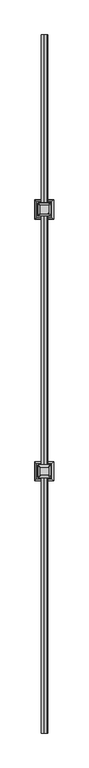
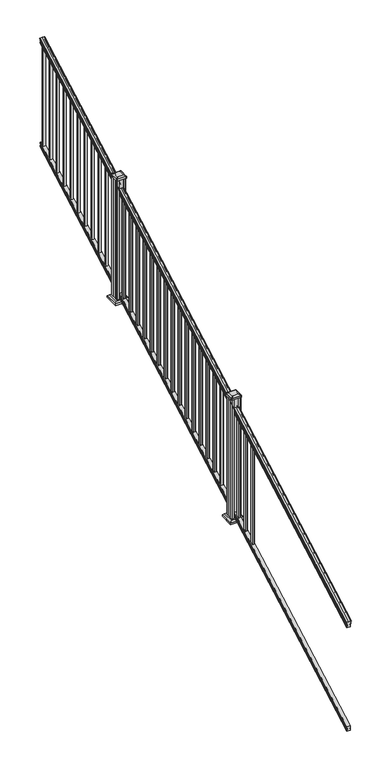
"""IFC4 building model written with IfcOpenShell, lengths in millimetres: railing geometry."""

from ifc_helpers import new_model, si_unit, point, frame, frame_2d, origin, place, context, project, spatial, polyline, circle_curve, ellipse_curve, trimmed, segment, composite_curve, outline, extrude, faceted_brep, source, transform, mapped, element, save
from ifc_brep_helpers import plane_surface, cylinder_surface, revolved_surface, extruded_surface, advanced_brep


def railing_532d5002(model_context):
    return source(origin(), model_context, "Body", "SolidModel", [
        advanced_brep(
        [(14463.5614371, 1778.9805319, 1263.5933), (14466.1352659, 1778.9805319, 1263.5933), (14466.1352659, 1778.9805319, 1251.4017677), (14465.1192659, 1778.9805319, 1250.2395054), (14465.1192659, 1778.9805319, 1236.1333333), (14496.8692659, 1778.9805319, 1236.1333333), (14496.8692659, 1778.9805319, 1250.4200397), (14495.8532659, 1778.9805319, 1251.582302), (14495.8532659, 1778.9805319, 1263.5933), (14498.4270946, 1778.9805319, 1263.5933), (14498.4270946, 1778.9805319, 1265.7531886), (14499.5572809, 1778.9805319, 1267.540347), (14499.5572809, 1778.9805319, 1275.7974153), (14498.9080245, 1778.9805319, 1278.5811654), (14501.4080245, 1778.9805319, 1283.5346527), (14502.817367, 1778.9805319, 1285.4560334), (14503.219266, 1778.9805319, 1286.7198045), (14503.2192659, 1778.9805319, 1288.2530343), (14501.6658186, 1778.9805319, 1290.0301141), (14480.9942659, 1778.9805319, 1290.0301141), (14460.3227131, 1778.9805319, 1290.0301141), (14458.7692659, 1778.9805319, 1288.2530343), (14458.7692659, 1778.9805319, 1286.7198045), (14459.1711648, 1778.9805319, 1285.4560334), (14460.5805072, 1778.9805319, 1283.5346527), (14463.0805072, 1778.9805319, 1278.5811654), (14462.4312508, 1778.9805319, 1275.7974153), (14462.4312508, 1778.9805319, 1267.540347), (14463.5614371, 1778.9805319, 1265.7531886), (14463.5614371, 6655.7805319, 3972.9266334), (14463.5614371, 6655.7805319, 3975.0865219), (14462.4312508, 6655.7805319, 3976.8736803), (14462.4312508, 6655.7805319, 3985.1307486), (14463.0805072, 6655.7805319, 3987.9144987), (14460.5805072, 6655.7805319, 3992.8679861), (14459.1711648, 6655.7805319, 3994.7893668), (14458.7692658, 6655.7805319, 3996.0531378), (14458.7692659, 6655.7805319, 3997.5863676), (14460.3227131, 6655.7805319, 3999.3634474), (14480.9942659, 6655.7805319, 3999.3634474), (14501.6658186, 6655.7805319, 3999.3634474), (14503.2192659, 6655.7805319, 3997.5863676), (14503.2192659, 6655.7805319, 3996.0531378), (14502.817367, 6655.7805319, 3994.7893668), (14501.4080245, 6655.7805319, 3992.8679861), (14498.9080245, 6655.7805319, 3987.9144987), (14499.5572809, 6655.7805319, 3985.1307486), (14499.5572809, 6655.7805319, 3976.8736803), (14498.4270946, 6655.7805319, 3975.0865219), (14498.4270946, 6655.7805319, 3972.9266334), (14495.8532659, 6655.7805319, 3972.9266334), (14495.8532659, 6655.7805319, 3960.9156353), (14496.8692659, 6655.7805319, 3959.7533731), (14496.8692659, 6655.7805319, 3945.4666667), (14465.1192659, 6655.7805319, 3945.4666667), (14465.1192659, 6655.7805319, 3959.5728388), (14466.1352659, 6655.7805319, 3960.735101), (14466.1352659, 6655.7805319, 3972.9266334)],
        [
            (0, 1, ellipse_curve(frame((14464.8483515, 1778.9805319, 1263.5933), z_axis=(0.0, -1.0, 0.0), x_axis=(0.0, 0.0, -0.9999999999999999)), 1.4721772, 1.2869144)),
            (1, 2),
            (2, 3),
            (3, 4),
            (4, 5),
            (5, 6),
            (6, 7),
            (7, 8),
            (8, 9, ellipse_curve(frame((14497.1401802, 1778.9805319, 1263.5933), z_axis=(0.0, -1.0, 0.0), x_axis=(0.0, 0.0, -0.9999999999999999)), 1.4721772, 1.2869144)),
            (9, 10),
            (10, 11, ellipse_curve(frame((14492.1123413, 1778.9805319, 1272.3403628), z_axis=(0.0, -1.0, 0.0), x_axis=(0.0, 0.0, -0.9999999999999999)), 9.7762168, 8.545951)),
            (11, 12, ellipse_curve(frame((14492.5494043, 1778.9805319, 1271.6688811), z_axis=(0.0, -1.0, 0.0), x_axis=(0.0, 0.0, -0.9999999999999999)), 9.0173521, 7.882584)),
            (12, 13, ellipse_curve(frame((14503.0627284, 1778.9805319, 1278.3582895), z_axis=(0.0, 1.0, 0.0), x_axis=(0.0, 0.0, 0.9999999999999999)), 4.7580334, 4.1592695)),
            (13, 14, ellipse_curve(frame((14504.350035, 1778.9805319, 1278.2892329), z_axis=(0.0, 1.0, 0.0), x_axis=(0.0, 0.0, 0.9999999999999999)), 6.2322774, 5.4479907)),
            (14, 15, ellipse_curve(frame((14503.1168765, 1778.9805319, 1283.5314345), z_axis=(0.0, 1.0, 0.0), x_axis=(0.0, 0.0, 0.9999999999999999)), 1.9548591, 1.7088543)),
            (15, 16, ellipse_curve(frame((14501.4999764, 1778.9805319, 1286.7198045), z_axis=(0.0, -1.0, 0.0), x_axis=(0.0, 0.0, -0.9999999999999999)), 1.9667965, 1.7192895)),
            (16, 17),
            (17, 18, ellipse_curve(frame((14501.6658186, 1778.9805319, 1288.2530343), z_axis=(0.0, -1.0, 0.0), x_axis=(0.0, 0.0, -0.9999999999999999)), 1.7770798, 1.5534472)),
            (18, 19),
            (19, 20),
            (20, 21, ellipse_curve(frame((14460.3227131, 1778.9805319, 1288.2530343), z_axis=(0.0, -1.0, 0.0), x_axis=(0.0, 0.0, -0.9999999999999999)), 1.7770798, 1.5534472)),
            (21, 22),
            (22, 23, ellipse_curve(frame((14460.4885553, 1778.9805319, 1286.7198045), z_axis=(0.0, -1.0, 0.0), x_axis=(0.0, 0.0, -0.9999999999999999)), 1.9667965, 1.7192895)),
            (23, 24, ellipse_curve(frame((14458.8716552, 1778.9805319, 1283.5314345), z_axis=(0.0, 1.0, 0.0), x_axis=(0.0, 0.0, 0.9999999999999999)), 1.9548591, 1.7088543)),
            (24, 25, ellipse_curve(frame((14457.6384968, 1778.9805319, 1278.2892329), z_axis=(0.0, 1.0, 0.0), x_axis=(0.0, 0.0, 0.9999999999999999)), 6.2322774, 5.4479907)),
            (25, 26, ellipse_curve(frame((14458.9258033, 1778.9805319, 1278.3582895), z_axis=(0.0, 1.0, 0.0), x_axis=(0.0, 0.0, 0.9999999999999999)), 4.7580334, 4.1592695)),
            (26, 27, ellipse_curve(frame((14469.4391275, 1778.9805319, 1271.6688811), z_axis=(0.0, -1.0, 0.0), x_axis=(0.0, 0.0, -0.9999999999999999)), 9.0173521, 7.882584)),
            (27, 28, ellipse_curve(frame((14469.8761904, 1778.9805319, 1272.3403628), z_axis=(0.0, -1.0, 0.0), x_axis=(0.0, 0.0, -0.9999999999999999)), 9.7762168, 8.545951)),
            (28, 0),
            (29, 30),
            (30, 31, ellipse_curve(frame((14469.8761904, 6655.7805319, 3981.6736961), z_axis=(0.0, 1.0, 0.0), x_axis=(0.0, 0.0, -0.9999999999999999)), 9.7762168, 8.545951)),
            (31, 32, ellipse_curve(frame((14469.4391275, 6655.7805319, 3981.0022145), z_axis=(0.0, 1.0, 0.0), x_axis=(0.0, 0.0, -0.9999999999999999)), 9.0173521, 7.882584)),
            (32, 33, ellipse_curve(frame((14458.9258033, 6655.7805319, 3987.6916228), z_axis=(0.0, -1.0, 0.0), x_axis=(0.0, 0.0, 0.9999999999999999)), 4.7580334, 4.1592695)),
            (33, 34, ellipse_curve(frame((14457.6384968, 6655.7805319, 3987.6225663), z_axis=(0.0, -1.0, 0.0), x_axis=(0.0, 0.0, 0.9999999999999999)), 6.2322774, 5.4479907)),
            (34, 35, ellipse_curve(frame((14458.8716552, 6655.7805319, 3992.8647678), z_axis=(0.0, -1.0, 0.0), x_axis=(0.0, 0.0, 0.9999999999999999)), 1.9548591, 1.7088543)),
            (35, 36, ellipse_curve(frame((14460.4885553, 6655.7805319, 3996.0531378), z_axis=(0.0, 1.0, 0.0), x_axis=(0.0, 0.0, -0.9999999999999999)), 1.9667965, 1.7192895)),
            (36, 37),
            (37, 38, ellipse_curve(frame((14460.3227131, 6655.7805319, 3997.5863676), z_axis=(0.0, 1.0, 0.0), x_axis=(0.0, 0.0, -0.9999999999999999)), 1.7770798, 1.5534472)),
            (38, 39),
            (39, 40),
            (40, 41, ellipse_curve(frame((14501.6658186, 6655.7805319, 3997.5863676), z_axis=(0.0, 1.0, 0.0), x_axis=(0.0, 0.0, -0.9999999999999999)), 1.7770798, 1.5534472)),
            (41, 42),
            (42, 43, ellipse_curve(frame((14501.4999764, 6655.7805319, 3996.0531378), z_axis=(0.0, 1.0, 0.0), x_axis=(0.0, 0.0, -0.9999999999999999)), 1.9667965, 1.7192895)),
            (43, 44, ellipse_curve(frame((14503.1168765, 6655.7805319, 3992.8647678), z_axis=(0.0, -1.0, 0.0), x_axis=(0.0, 0.0, 0.9999999999999999)), 1.9548591, 1.7088543)),
            (44, 45, ellipse_curve(frame((14504.350035, 6655.7805319, 3987.6225663), z_axis=(0.0, -1.0, 0.0), x_axis=(0.0, 0.0, 0.9999999999999999)), 6.2322774, 5.4479907)),
            (45, 46, ellipse_curve(frame((14503.0627284, 6655.7805319, 3987.6916228), z_axis=(0.0, -1.0, 0.0), x_axis=(0.0, 0.0, 0.9999999999999999)), 4.7580334, 4.1592695)),
            (46, 47, ellipse_curve(frame((14492.5494043, 6655.7805319, 3981.0022145), z_axis=(0.0, 1.0, 0.0), x_axis=(0.0, 0.0, -0.9999999999999999)), 9.0173521, 7.882584)),
            (47, 48, ellipse_curve(frame((14492.1123413, 6655.7805319, 3981.6736961), z_axis=(0.0, 1.0, 0.0), x_axis=(0.0, 0.0, -0.9999999999999999)), 9.7762168, 8.545951)),
            (48, 49),
            (49, 50, ellipse_curve(frame((14497.1401802, 6655.7805319, 3972.9266334), z_axis=(0.0, 1.0, 0.0), x_axis=(0.0, 0.0, -0.9999999999999999)), 1.4721772, 1.2869144)),
            (50, 51),
            (51, 52),
            (52, 53),
            (53, 54),
            (54, 55),
            (55, 56),
            (56, 57),
            (57, 29, ellipse_curve(frame((14464.8483515, 6655.7805319, 3972.9266334), z_axis=(0.0, 1.0, 0.0), x_axis=(0.0, 0.0, -0.9999999999999999)), 1.4721772, 1.2869144)),
            (0, 29),
            (57, 1),
            (56, 2),
            (55, 3),
            (54, 4),
            (53, 5),
            (52, 6),
            (51, 7),
            (50, 8),
            (49, 9),
            (48, 10),
            (47, 11),
            (46, 12),
            (45, 13),
            (44, 14),
            (43, 15),
            (42, 16),
            (41, 17),
            (40, 18),
            (39, 19),
            (38, 20),
            (37, 21),
            (36, 22),
            (35, 23),
            (34, 24),
            (33, 25),
            (32, 26),
            (31, 27),
            (30, 28),
        ],
        [
            plane_surface(frame((14480.9942659, 1778.9805319, 1236.1333333), z_axis=(0.0, -1.0, 0.0), x_axis=(0.0, 0.0, 1.0))),
            plane_surface(frame((14480.9942659, 6655.7805319, 3945.4666667), z_axis=(0.0, 1.0, 0.0), x_axis=(0.0, 0.0, 1.0))),
            cylinder_surface(frame((14464.8483515, 1767.3229989, 1257.1168928), z_axis=(0.0, -0.8741572761215701, -0.48564293117857404), x_axis=(1.0, 0.0, 0.0)), 1.2869144),
            plane_surface(frame((14466.1352659, 1778.9805319, 1263.5933), z_axis=(-1.0000000000000002, 0.0, 0.0), x_axis=(0.0, 0.8741572761215701, 0.4856429311785741))),
            plane_surface(frame((14466.1352659, 1778.9805319, 1251.4017677), z_axis=(-0.7071067811865401, -0.3434014098716843, 0.6181225377691307), x_axis=(0.0, 0.8741572761215701, 0.4856429311785741))),
            plane_surface(frame((14465.1192659, 1778.9805319, 1250.2395054), z_axis=(-1.0000000000000002, 0.0, 0.0), x_axis=(0.0, 0.8741572761215701, 0.4856429311785741))),
            plane_surface(frame((14465.1192659, 1778.9805319, 1236.1333333), z_axis=(0.0, 0.485642931178574, -0.8741572761215701), x_axis=(0.0, 0.8741572761215701, 0.485642931178574))),
            plane_surface(frame((14496.8692659, 1778.9805319, 1236.1333333), z_axis=(1.0000000000000002, 0.0, 0.0), x_axis=(0.0, 0.8741572761215701, 0.485642931178574))),
            plane_surface(frame((14496.8692659, 1778.9805319, 1250.4200397), z_axis=(0.7071067811865427, -0.3434014098716849, 0.6181225377691273), x_axis=(0.0, 0.8741572761215701, 0.4856429311785741))),
            plane_surface(frame((14495.8532659, 1778.9805319, 1251.582302), z_axis=(1.0, 0.0, 0.0), x_axis=(0.0, 0.8741572761215701, 0.48564293117857393))),
            cylinder_surface(frame((14497.1401802, 1767.3229989, 1257.1168928), z_axis=(0.0, -0.8741572761215701, -0.48564293117857404), x_axis=(-1.0, 0.0, 0.0)), 1.2869144),
            plane_surface(frame((14498.4270946, 1778.9805319, 1263.5933), z_axis=(1.0000000000000002, 0.0, 0.0), x_axis=(0.0, 0.8741572761215701, 0.4856429311785741))),
            cylinder_surface(frame((14492.1123413, 1763.6096232, 1263.8009691), z_axis=(0.0, -0.8741572761215701, -0.48564293117857404), x_axis=(-1.0, 0.0, 0.0)), 8.545951),
            cylinder_surface(frame((14492.5494043, 1763.8946861, 1263.2878557), z_axis=(0.0, -0.8741572761215701, -0.48564293117857404), x_axis=(-1.0, 0.0, 0.0)), 7.882584),
            revolved_surface(polyline([(14498.9034589, 6657.8004517445215, 3988.813800479864), (14498.9034589, 1776.960612079246, 1277.2361117773576)]), (14503.0627284, 1761.054843, 1268.3995734), (0.0, 0.8741572761215701, 0.48564293117857404)),
            revolved_surface(polyline([(14498.902044299999, 6658.426310041691, 3989.0924430449577), (14498.902044299999, 1776.3347537301895, 1276.8193562056595)]), (14504.350035, 1761.0841594, 1268.3468038), (0.0, 0.8741572761215701, 0.48564293117857404)),
            revolved_surface(polyline([(14501.4080222, 6656.610424923767, 3993.325819457222), (14501.4080222, 1778.1506389094347, 1283.0703827830175)]), (14503.1168765, 1758.8586965, 1272.352637), (0.0, 0.8741572761215701, 0.48564293117857404)),
            cylinder_surface(frame((14501.4999764, 1757.5051432, 1274.789033), z_axis=(0.0, -0.8741572761215701, -0.48564293117857404), x_axis=(-1.0, 0.0, 0.0)), 1.7192895),
            plane_surface(frame((14503.2192659, 1778.9805319, 1286.7198045), z_axis=(1.0000000000000002, 0.0, 0.0), x_axis=(0.0, 0.8741572761215701, 0.4856429311785741))),
            cylinder_surface(frame((14501.6658186, 1756.8542438, 1275.960652), z_axis=(0.0, -0.8741572761215701, -0.48564293117857404), x_axis=(-1.0, 0.0, 0.0)), 1.5534472),
            plane_surface(frame((14501.6658186, 1778.9805319, 1290.0301141), z_axis=(0.0, -0.4856429311785741, 0.8741572761215701), x_axis=(0.0, 0.8741572761215701, 0.4856429311785741))),
            plane_surface(frame((14480.9942659, 1778.9805319, 1290.0301141), z_axis=(0.0, -0.4856429311785741, 0.8741572761215701), x_axis=(0.0, 0.8741572761215701, 0.4856429311785741))),
            cylinder_surface(frame((14460.3227131, 1756.8542438, 1275.960652), z_axis=(0.0, -0.8741572761215701, -0.48564293117857404), x_axis=(1.0, 0.0, 0.0)), 1.5534472),
            plane_surface(frame((14458.7692659, 1778.9805319, 1288.2530343), z_axis=(-1.0000000000000002, 0.0, 0.0), x_axis=(0.0, 0.8741572761215701, 0.4856429311785741))),
            cylinder_surface(frame((14460.4885553, 1757.5051432, 1274.789033), z_axis=(0.0, -0.8741572761215701, -0.48564293117857404), x_axis=(1.0, 0.0, 0.0)), 1.7192895),
            revolved_surface(polyline([(14460.580509500001, 6656.610424923767, 3993.325819457222), (14460.580509500001, 1778.1506389094347, 1283.0703827830175)]), (14458.8716552, 1758.8586965, 1272.352637), (0.0, 0.8741572761215701, 0.48564293117857404)),
            revolved_surface(polyline([(14463.0864875, 6658.426310041691, 3989.0924430449577), (14463.0864875, 1776.3347537301895, 1276.8193562056595)]), (14457.6384968, 1761.0841594, 1268.3468038), (0.0, 0.8741572761215701, 0.48564293117857404)),
            revolved_surface(polyline([(14463.0850728, 6657.8004517445215, 3988.813800479864), (14463.0850728, 1776.960612079246, 1277.2361117773576)]), (14458.9258033, 1761.054843, 1268.3995734), (0.0, 0.8741572761215701, 0.48564293117857404)),
            cylinder_surface(frame((14469.4391275, 1763.8946861, 1263.2878557), z_axis=(0.0, -0.8741572761215701, -0.48564293117857404), x_axis=(1.0, 0.0, 0.0)), 7.882584),
            cylinder_surface(frame((14469.8761904, 1763.6096232, 1263.8009691), z_axis=(0.0, -0.8741572761215701, -0.48564293117857404), x_axis=(1.0, 0.0, 0.0)), 8.545951),
            plane_surface(frame((14463.5614371, 1778.9805319, 1265.7531886), z_axis=(-1.0000000000000002, 0.0, 0.0), x_axis=(0.0, 0.8741572761215701, 0.4856429311785741))),
        ],
        [
            (0, [[1, 2, 3, 4, 5, 6, 7, 8, 9, 10, 11, 12, 13, 14, 15, 16, 17, 18, 19, 20, 21, 22, 23, 24, 25, 26, 27, 28, 29]]),
            (1, [[30, 31, 32, 33, 34, 35, 36, 37, 38, 39, 40, 41, 42, 43, 44, 45, 46, 47, 48, 49, 50, 51, 52, 53, 54, 55, 56, 57, 58]]),
            (2, [[-1, 59, -58, 60]]),
            (3, [[-2, -60, -57, 61]]),
            (4, [[-3, -61, -56, 62]]),
            (5, [[-4, -62, -55, 63]]),
            (6, [[-5, -63, -54, 64]]),
            (7, [[-6, -64, -53, 65]]),
            (8, [[-7, -65, -52, 66]]),
            (9, [[-8, -66, -51, 67]]),
            (10, [[-9, -67, -50, 68]]),
            (11, [[-10, -68, -49, 69]]),
            (12, [[-11, -69, -48, 70]]),
            (13, [[-12, -70, -47, 71]]),
            (14, [[-13, -71, -46, 72]]),
            (15, [[-14, -72, -45, 73]]),
            (16, [[-15, -73, -44, 74]]),
            (17, [[-16, -74, -43, 75]]),
            (18, [[-17, -75, -42, 76]]),
            (19, [[-18, -76, -41, 77]]),
            (20, [[-19, -77, -40, 78]]),
            (21, [[-20, -78, -39, 79]]),
            (22, [[-21, -79, -38, 80]]),
            (23, [[-22, -80, -37, 81]]),
            (24, [[-23, -81, -36, 82]]),
            (25, [[-24, -82, -35, 83]]),
            (26, [[-25, -83, -34, 84]]),
            (27, [[-26, -84, -33, 85]]),
            (28, [[-27, -85, -32, 86]]),
            (29, [[-28, -86, -31, 87]]),
            (30, [[-29, -87, -30, -59]]),
        ],
    ),
        faceted_brep([(14465.081779, 1778.9805319, 247.1948195), (14465.081779, 1778.9805319, 232.8333333), (14496.831779, 1778.9805319, 232.8333333), (14496.831779, 1778.9805319, 247.1757762), (14495.815779, 1778.9805319, 248.7181503), (14495.815779, 1778.9805319, 260.5143074), (14496.831779, 1778.9805319, 262.0566814), (14496.831779, 1778.9805319, 276.4134523), (14465.081779, 1778.9805319, 276.4134523), (14465.081779, 1778.9805319, 262.0757247), (14466.097779, 1778.9805319, 260.5333506), (14466.097779, 1778.9805319, 248.6824473), (14465.081779, 6655.7805319, 2956.5281528), (14466.097779, 6655.7805319, 2958.0157807), (14466.097779, 6655.7805319, 2969.8666839), (14465.081779, 6655.7805319, 2971.409058), (14465.081779, 6655.7805319, 2985.7467856), (14496.831779, 6655.7805319, 2985.7467856), (14496.831779, 6655.7805319, 2971.3900148), (14495.815779, 6655.7805319, 2969.8476407), (14495.815779, 6655.7805319, 2958.0514837), (14496.831779, 6655.7805319, 2956.5091096), (14496.831779, 6655.7805319, 2942.1666667), (14465.081779, 6655.7805319, 2942.1666667)], [[[0, 1, 2, 3, 4, 5, 6, 7, 8, 9, 10, 11]], [[12, 13, 14, 15, 16, 17, 18, 19, 20, 21, 22, 23]], [[1, 0, 12, 23]], [[2, 1, 23, 22]], [[3, 2, 22, 21]], [[4, 3, 21, 20]], [[5, 4, 20, 19]], [[6, 5, 19, 18]], [[7, 6, 18, 17]], [[8, 7, 17, 16]], [[9, 8, 16, 15]], [[10, 9, 15, 14]], [[11, 10, 14, 13]], [[0, 11, 13, 12]]]),
        extrude(outline(polyline([(14471.4692659, 6619.2680319), (14471.4692659, 6638.3180319), (14490.5192659, 6638.3180319), (14490.5192659, 6619.2680319), (14471.4692659, 6619.2680319)]), holes=[polyline([(14471.8661409, 6619.6649069), (14490.1223909, 6619.6649069), (14490.1223909, 6637.9211569), (14471.8661409, 6637.9211569), (14471.8661409, 6619.6649069)])]), frame((0.0, 0.0, 2965.2694892), z_axis=(0.0, 0.0, 1.0), x_axis=(1.0, 0.0, 0.0)), (0.0, 0.0, 1.0), 965.2041219),
        extrude(outline(polyline([(14471.4692659, 6508.1430319), (14471.4692659, 6527.1930319), (14490.5192659, 6527.1930319), (14490.5192659, 6508.1430319), (14471.4692659, 6508.1430319)]), holes=[polyline([(14471.8661409, 6508.5399069), (14490.1223909, 6508.5399069), (14490.1223909, 6526.7961569), (14471.8661409, 6526.7961569), (14471.8661409, 6508.5399069)])]), frame((0.0, 0.0, 2903.5333781), z_axis=(0.0, 0.0, 1.0), x_axis=(1.0, 0.0, 0.0)), (0.0, 0.0, 1.0), 965.2041219),
        extrude(outline(polyline([(14471.4692659, 6397.0180319), (14471.4692659, 6416.0680319), (14490.5192659, 6416.0680319), (14490.5192659, 6397.0180319), (14471.4692659, 6397.0180319)]), holes=[polyline([(14471.8661409, 6397.4149069), (14490.1223909, 6397.4149069), (14490.1223909, 6415.6711569), (14471.8661409, 6415.6711569), (14471.8661409, 6397.4149069)])]), frame((0.0, 0.0, 2841.797267), z_axis=(0.0, 0.0, 1.0), x_axis=(1.0, 0.0, 0.0)), (0.0, 0.0, 1.0), 965.2041219),
        extrude(outline(polyline([(14471.4692659, 6285.8930319), (14471.4692659, 6304.9430319), (14490.5192659, 6304.9430319), (14490.5192659, 6285.8930319), (14471.4692659, 6285.8930319)]), holes=[polyline([(14471.8661409, 6286.2899069), (14490.1223909, 6286.2899069), (14490.1223909, 6304.5461569), (14471.8661409, 6304.5461569), (14471.8661409, 6286.2899069)])]), frame((0.0, 0.0, 2780.0611558), z_axis=(0.0, 0.0, 1.0), x_axis=(1.0, 0.0, 0.0)), (0.0, 0.0, 1.0), 965.2041219),
        extrude(outline(polyline([(14471.4692659, 6174.7680319), (14471.4692659, 6193.8180319), (14490.5192659, 6193.8180319), (14490.5192659, 6174.7680319), (14471.4692659, 6174.7680319)]), holes=[polyline([(14471.8661409, 6175.1649069), (14490.1223909, 6175.1649069), (14490.1223909, 6193.4211569), (14471.8661409, 6193.4211569), (14471.8661409, 6175.1649069)])]), frame((0.0, 0.0, 2718.3250447), z_axis=(0.0, 0.0, 1.0), x_axis=(1.0, 0.0, 0.0)), (0.0, 0.0, 1.0), 965.2041219),
        extrude(outline(polyline([(14471.4692659, 6063.6430319), (14471.4692659, 6082.6930319), (14490.5192659, 6082.6930319), (14490.5192659, 6063.6430319), (14471.4692659, 6063.6430319)]), holes=[polyline([(14471.8661409, 6064.0399069), (14490.1223909, 6064.0399069), (14490.1223909, 6082.2961569), (14471.8661409, 6082.2961569), (14471.8661409, 6064.0399069)])]), frame((0.0, 0.0, 2656.5889336), z_axis=(0.0, 0.0, 1.0), x_axis=(1.0, 0.0, 0.0)), (0.0, 0.0, 1.0), 965.2041219),
        extrude(outline(polyline([(14471.4692659, 5952.5180319), (14471.4692659, 5971.5680319), (14490.5192659, 5971.5680319), (14490.5192659, 5952.5180319), (14471.4692659, 5952.5180319)]), holes=[polyline([(14471.8661409, 5952.9149069), (14490.1223909, 5952.9149069), (14490.1223909, 5971.1711569), (14471.8661409, 5971.1711569), (14471.8661409, 5952.9149069)])]), frame((0.0, 0.0, 2594.8528225), z_axis=(0.0, 0.0, 1.0), x_axis=(1.0, 0.0, 0.0)), (0.0, 0.0, 1.0), 965.2041219),
        extrude(outline(polyline([(14471.4692659, 5841.3930319), (14471.4692659, 5860.4430319), (14490.5192659, 5860.4430319), (14490.5192659, 5841.3930319), (14471.4692659, 5841.3930319)]), holes=[polyline([(14471.8661409, 5841.7899069), (14490.1223909, 5841.7899069), (14490.1223909, 5860.0461569), (14471.8661409, 5860.0461569), (14471.8661409, 5841.7899069)])]), frame((0.0, 0.0, 2533.1167114), z_axis=(0.0, 0.0, 1.0), x_axis=(1.0, 0.0, 0.0)), (0.0, 0.0, 1.0), 965.2041219),
        extrude(outline(polyline([(14471.4692659, 5730.2680319), (14471.4692659, 5749.3180319), (14490.5192659, 5749.3180319), (14490.5192659, 5730.2680319), (14471.4692659, 5730.2680319)]), holes=[polyline([(14471.8661409, 5730.6649069), (14490.1223909, 5730.6649069), (14490.1223909, 5748.9211569), (14471.8661409, 5748.9211569), (14471.8661409, 5730.6649069)])]), frame((0.0, 0.0, 2471.3806003), z_axis=(0.0, 0.0, 1.0), x_axis=(1.0, 0.0, 0.0)), (0.0, 0.0, 1.0), 965.2041219),
        extrude(outline(polyline([(14471.4692659, 5619.1430319), (14471.4692659, 5638.1930319), (14490.5192659, 5638.1930319), (14490.5192659, 5619.1430319), (14471.4692659, 5619.1430319)]), holes=[polyline([(14471.8661409, 5619.5399069), (14490.1223909, 5619.5399069), (14490.1223909, 5637.7961569), (14471.8661409, 5637.7961569), (14471.8661409, 5619.5399069)])]), frame((0.0, 0.0, 2409.6444892), z_axis=(0.0, 0.0, 1.0), x_axis=(1.0, 0.0, 0.0)), (0.0, 0.0, 1.0), 965.2041219),
        extrude(outline(polyline([(14471.4692659, 5508.0180319), (14471.4692659, 5527.0680319), (14490.5192659, 5527.0680319), (14490.5192659, 5508.0180319), (14471.4692659, 5508.0180319)]), holes=[polyline([(14471.8661409, 5508.4149069), (14490.1223909, 5508.4149069), (14490.1223909, 5526.6711569), (14471.8661409, 5526.6711569), (14471.8661409, 5508.4149069)])]), frame((0.0, 0.0, 2347.9083781), z_axis=(0.0, 0.0, 1.0), x_axis=(1.0, 0.0, 0.0)), (0.0, 0.0, 1.0), 965.2041219),
        faceted_brep([(14428.4083284, 5383.9945944, 2229.9083333), (14533.5802034, 5383.9945944, 2229.9083333), (14533.5802034, 5489.1664694, 2229.9083333), (14428.4083284, 5489.1664694, 2229.9083333), (14414.3688753, 5369.9551413, 2216.5733333), (14414.3688753, 5503.2059225, 2216.5733333), (14547.6196565, 5503.2059225, 2216.5733333), (14547.6196565, 5369.9551413, 2216.5733333)], [[[0, 1, 2, 3]], [[4, 5, 6, 7]], [[4, 7, 1, 0]], [[7, 6, 2, 1]], [[6, 5, 3, 2]], [[5, 4, 0, 3]]]),
        extrude(outline(polyline([(14414.3688753, 5369.9551413), (14414.3688753, 5503.2059225), (14547.6196565, 5503.2059225), (14547.6196565, 5369.9551413), (14414.3688753, 5369.9551413)])), frame((0.0, 0.0, 2201.3333333), z_axis=(0.0, 0.0, 1.0), x_axis=(1.0, 0.0, 0.0)), (0.0, 0.0, 1.0), 15.24),
        advanced_brep(
        [(14506.7911409, 5407.6086569, 3413.6725964), (14509.9661409, 5410.7836569, 3413.6725964), (14509.9661409, 5462.3774069, 3413.6725964), (14506.7911409, 5465.5524069, 3413.6725964), (14455.1973909, 5465.5524069, 3413.6725964), (14452.0223909, 5462.3774069, 3413.6725964), (14452.0223909, 5410.7836569, 3413.6725964), (14455.1973909, 5407.6086569, 3413.6725964), (14523.0630159, 5391.3367819, 3402.3695964), (14438.9255159, 5391.3367819, 3402.3695964), (14435.7505159, 5394.5117819, 3402.3695964), (14435.7505159, 5478.6492819, 3402.3695964), (14438.9255159, 5481.8242819, 3402.3695964), (14523.0630159, 5481.8242819, 3402.3695964), (14526.2380159, 5478.6492819, 3402.3695964), (14526.2380159, 5394.5117819, 3402.3695964)],
        [
            (0, 1, circle_curve(frame((14506.7911409, 5410.7836569, 3413.6725964), z_axis=(0.0, 0.0, 1.0), x_axis=(0.0, 1.0, 0.0)), 3.175)),
            (1, 2),
            (2, 3, circle_curve(frame((14506.7911409, 5462.3774069, 3413.6725964), z_axis=(0.0, 0.0, 1.0), x_axis=(0.0, 1.0, 0.0)), 3.175)),
            (3, 4),
            (4, 5, circle_curve(frame((14455.1973909, 5462.3774069, 3413.6725964), z_axis=(0.0, 0.0, 1.0), x_axis=(0.0, 1.0, 0.0)), 3.175)),
            (5, 6),
            (6, 7, circle_curve(frame((14455.1973909, 5410.7836569, 3413.6725964), z_axis=(0.0, 0.0, 1.0), x_axis=(0.0, 1.0, 0.0)), 3.175)),
            (7, 0),
            (8, 9),
            (9, 10, circle_curve(frame((14438.9255159, 5394.5117819, 3402.3695964), z_axis=(0.0, 0.0, -1.0), x_axis=(0.0, 1.0, 0.0)), 3.175)),
            (10, 11),
            (11, 12, circle_curve(frame((14438.9255159, 5478.6492819, 3402.3695964), z_axis=(0.0, 0.0, -1.0), x_axis=(0.0, 1.0, 0.0)), 3.175)),
            (12, 13),
            (13, 14, circle_curve(frame((14523.0630159, 5478.6492819, 3402.3695964), z_axis=(0.0, 0.0, -1.0), x_axis=(0.0, 1.0, 0.0)), 3.175)),
            (14, 15),
            (15, 8, circle_curve(frame((14523.0630159, 5394.5117819, 3402.3695964), z_axis=(0.0, 0.0, -1.0), x_axis=(0.0, 1.0, 0.0)), 3.175)),
            (15, 1),
            (0, 8),
            (14, 2),
            (13, 3),
            (12, 4),
            (11, 5),
            (10, 6),
            (9, 7),
        ],
        [
            plane_surface(frame((14480.9942659, 5436.5805319, 3413.6725964), z_axis=(0.0, 0.0, 1.0), x_axis=(1.0, 0.0, 0.0))),
            plane_surface(frame((14480.9942659, 5436.5805319, 3402.3695964), z_axis=(0.0, 0.0, -1.0), x_axis=(1.0, 0.0, 0.0))),
            extruded_surface(trimmed(circle_curve(frame((14523.0630159, 5394.5117819, 3402.3695964), z_axis=(0.0, 0.0, 1.0), x_axis=(0.0, 1.0, 0.0)), 3.175), [point((14523.0630159, 5391.3367819, 3402.3695964))], [point((14526.2380159, 5394.5117819, 3402.3695964))], True, "CARTESIAN"), (-16.271874999998545, 16.271875000000364, 11.303000000000338), 25.63797263886562),
            plane_surface(frame((14526.2380159, 5436.5805319, 3402.3695964), z_axis=(0.5705009161540778, 0.0, 0.8212969649690408), x_axis=(0.0, 1.0, 0.0))),
            extruded_surface(trimmed(circle_curve(frame((14523.0630159, 5478.6492819, 3402.3695964), z_axis=(0.0, 0.0, 1.0), x_axis=(0.0, 1.0, 0.0)), 3.175), [point((14526.2380159, 5478.6492819, 3402.3695964))], [point((14523.0630159, 5481.8242819, 3402.3695964))], True, "CARTESIAN"), (-16.271874999998545, -16.271874999999454, 11.303000000000338), 25.63797263886504),
            plane_surface(frame((14480.9942659, 5481.8242819, 3402.3695964), z_axis=(0.0, 0.5705009161540291, 0.8212969649690747), x_axis=(-1.0, 0.0, 0.0))),
            extruded_surface(trimmed(circle_curve(frame((14438.9255159, 5478.6492819, 3402.3695964), z_axis=(0.0, 0.0, 1.0), x_axis=(0.0, 1.0, 0.0)), 3.175), [point((14438.9255159, 5481.8242819, 3402.3695964))], [point((14435.7505159, 5478.6492819, 3402.3695964))], True, "CARTESIAN"), (16.271875000000364, -16.271874999999454, 11.303000000000338), 25.6379726388662),
            plane_surface(frame((14435.7505159, 5436.5805319, 3402.3695964), z_axis=(-0.5705009161540142, 0.0, 0.8212969649690851), x_axis=(0.0, -1.0, 0.0))),
            extruded_surface(trimmed(circle_curve(frame((14438.9255159, 5394.5117819, 3402.3695964), z_axis=(0.0, 0.0, 1.0), x_axis=(0.0, 1.0, 0.0)), 3.175), [point((14435.7505159, 5394.5117819, 3402.3695964))], [point((14438.9255159, 5391.3367819, 3402.3695964))], True, "CARTESIAN"), (16.271875000000364, 16.271875000000364, 11.303000000000338), 25.637972638866774),
            plane_surface(frame((14480.9942659, 5391.3367819, 3402.3695964), z_axis=(0.0, -0.570500916154034, 0.8212969649690713), x_axis=(1.0, 0.0, 0.0))),
        ],
        [
            (0, [[1, 2, 3, 4, 5, 6, 7, 8]]),
            (1, [[9, 10, 11, 12, 13, 14, 15, 16]]),
            (2, [[-16, 17, -1, 18]]),
            (3, [[-15, 19, -2, -17]]),
            (4, [[-14, 20, -3, -19]]),
            (5, [[-13, 21, -4, -20]]),
            (6, [[-12, 22, -5, -21]]),
            (7, [[-11, 23, -6, -22]]),
            (8, [[-10, 24, -7, -23]]),
            (9, [[-9, -18, -8, -24]]),
        ],
    ),
        extrude(outline(composite_curve([segment(polyline([(14523.0630159, 5391.3367819), (14438.9255159, 5391.3367819)]), True, "CONTINUOUS"), segment(trimmed(circle_curve(frame_2d((14438.9255159, 5394.5117819)), 3.175), [point((14438.9255159, 5391.3367819))], [point((14435.7505159, 5394.5117819))], False, "CARTESIAN"), True, "CONTINUOUS"), segment(polyline([(14435.7505159, 5394.5117819), (14435.7505159, 5478.6492819)]), True, "CONTINUOUS"), segment(trimmed(circle_curve(frame_2d((14438.9255159, 5478.6492819)), 3.175), [point((14435.7505159, 5478.6492819))], [point((14438.9255159, 5481.8242819))], False, "CARTESIAN"), True, "CONTINUOUS"), segment(polyline([(14438.9255159, 5481.8242819), (14523.0630159, 5481.8242819)]), True, "CONTINUOUS"), segment(trimmed(circle_curve(frame_2d((14523.0630159, 5478.6492819)), 3.175), [point((14523.0630159, 5481.8242819))], [point((14526.2380159, 5478.6492819))], False, "CARTESIAN"), True, "CONTINUOUS"), segment(polyline([(14526.2380159, 5478.6492819), (14526.2380159, 5394.5117819)]), True, "CONTINUOUS"), segment(trimmed(circle_curve(frame_2d((14523.0630159, 5394.5117819)), 3.175), [point((14526.2380159, 5394.5117819))], [point((14523.0630159, 5391.3367819))], False, "CARTESIAN"), True, "CONTINUOUS")], self_intersect=False)), frame((0.0, 0.0, 3385.0975964), z_axis=(0.0, 0.0, 1.0), x_axis=(1.0, 0.0, 0.0)), (0.0, 0.0, 1.0), 17.272),
        extrude(outline(polyline([(14520.6817659, 5395.3055319), (14501.0602659, 5395.3055319), (14500.2982659, 5396.8930319), (14461.6902659, 5396.8930319), (14460.9282659, 5395.3055319), (14441.3067659, 5395.3055319), (14439.7192659, 5396.8930319), (14439.7192659, 5416.5145319), (14441.3067659, 5417.2765319), (14441.3067659, 5455.8845319), (14439.7192659, 5456.6465319), (14439.7192659, 5476.2680319), (14441.3067659, 5477.8555319), (14460.9282659, 5477.8555319), (14461.6902659, 5476.2680319), (14500.2982659, 5476.2680319), (14501.0602659, 5477.8555319), (14520.6817659, 5477.8555319), (14522.2692659, 5476.2680319), (14522.2692659, 5456.6465319), (14520.6817659, 5455.8845319), (14520.6817659, 5417.2765319), (14522.2692659, 5416.5145319), (14522.2692659, 5396.8930319), (14520.6817659, 5395.3055319)])), frame((0.0, 0.0, 2201.3333333), z_axis=(0.0, 0.0, 1.0), x_axis=(1.0, 0.0, 0.0)), (0.0, 0.0, 1.0), 1183.764263),
        extrude(outline(polyline([(14471.4692659, 5346.0930319), (14471.4692659, 5365.1430319), (14490.5192659, 5365.1430319), (14490.5192659, 5346.0930319), (14471.4692659, 5346.0930319)]), holes=[polyline([(14471.8661409, 5346.4899069), (14490.1223909, 5346.4899069), (14490.1223909, 5364.7461569), (14471.8661409, 5364.7461569), (14471.8661409, 5346.4899069)])]), frame((0.0, 0.0, 2257.9500447), z_axis=(0.0, 0.0, 1.0), x_axis=(1.0, 0.0, 0.0)), (0.0, 0.0, 1.0), 965.2041219),
        extrude(outline(polyline([(14471.4692659, 5234.9680319), (14471.4692659, 5254.0180319), (14490.5192659, 5254.0180319), (14490.5192659, 5234.9680319), (14471.4692659, 5234.9680319)]), holes=[polyline([(14471.8661409, 5235.3649069), (14490.1223909, 5235.3649069), (14490.1223909, 5253.6211569), (14471.8661409, 5253.6211569), (14471.8661409, 5235.3649069)])]), frame((0.0, 0.0, 2196.2139336), z_axis=(0.0, 0.0, 1.0), x_axis=(1.0, 0.0, 0.0)), (0.0, 0.0, 1.0), 965.2041219),
        extrude(outline(polyline([(14471.4692659, 5123.8430319), (14471.4692659, 5142.8930319), (14490.5192659, 5142.8930319), (14490.5192659, 5123.8430319), (14471.4692659, 5123.8430319)]), holes=[polyline([(14471.8661409, 5124.2399069), (14490.1223909, 5124.2399069), (14490.1223909, 5142.4961569), (14471.8661409, 5142.4961569), (14471.8661409, 5124.2399069)])]), frame((0.0, 0.0, 2134.4778225), z_axis=(0.0, 0.0, 1.0), x_axis=(1.0, 0.0, 0.0)), (0.0, 0.0, 1.0), 965.2041219),
        extrude(outline(polyline([(14471.4692659, 5012.7180319), (14471.4692659, 5031.7680319), (14490.5192659, 5031.7680319), (14490.5192659, 5012.7180319), (14471.4692659, 5012.7180319)]), holes=[polyline([(14471.8661409, 5013.1149069), (14490.1223909, 5013.1149069), (14490.1223909, 5031.3711569), (14471.8661409, 5031.3711569), (14471.8661409, 5013.1149069)])]), frame((0.0, 0.0, 2072.7417114), z_axis=(0.0, 0.0, 1.0), x_axis=(1.0, 0.0, 0.0)), (0.0, 0.0, 1.0), 965.2041219),
        extrude(outline(polyline([(14471.4692659, 4901.5930319), (14471.4692659, 4920.6430319), (14490.5192659, 4920.6430319), (14490.5192659, 4901.5930319), (14471.4692659, 4901.5930319)]), holes=[polyline([(14471.8661409, 4901.9899069), (14490.1223909, 4901.9899069), (14490.1223909, 4920.2461569), (14471.8661409, 4920.2461569), (14471.8661409, 4901.9899069)])]), frame((0.0, 0.0, 2011.0056003), z_axis=(0.0, 0.0, 1.0), x_axis=(1.0, 0.0, 0.0)), (0.0, 0.0, 1.0), 965.2041219),
        extrude(outline(polyline([(14471.4692659, 4790.4680319), (14471.4692659, 4809.5180319), (14490.5192659, 4809.5180319), (14490.5192659, 4790.4680319), (14471.4692659, 4790.4680319)]), holes=[polyline([(14471.8661409, 4790.8649069), (14490.1223909, 4790.8649069), (14490.1223909, 4809.1211569), (14471.8661409, 4809.1211569), (14471.8661409, 4790.8649069)])]), frame((0.0, 0.0, 1949.2694892), z_axis=(0.0, 0.0, 1.0), x_axis=(1.0, 0.0, 0.0)), (0.0, 0.0, 1.0), 965.2041219),
        extrude(outline(polyline([(14471.4692659, 4679.3430319), (14471.4692659, 4698.3930319), (14490.5192659, 4698.3930319), (14490.5192659, 4679.3430319), (14471.4692659, 4679.3430319)]), holes=[polyline([(14471.8661409, 4679.7399069), (14490.1223909, 4679.7399069), (14490.1223909, 4697.9961569), (14471.8661409, 4697.9961569), (14471.8661409, 4679.7399069)])]), frame((0.0, 0.0, 1887.5333781), z_axis=(0.0, 0.0, 1.0), x_axis=(1.0, 0.0, 0.0)), (0.0, 0.0, 1.0), 965.2041219),
        extrude(outline(polyline([(14471.4692659, 4568.2180319), (14471.4692659, 4587.2680319), (14490.5192659, 4587.2680319), (14490.5192659, 4568.2180319), (14471.4692659, 4568.2180319)]), holes=[polyline([(14471.8661409, 4568.6149069), (14490.1223909, 4568.6149069), (14490.1223909, 4586.8711569), (14471.8661409, 4586.8711569), (14471.8661409, 4568.6149069)])]), frame((0.0, 0.0, 1825.797267), z_axis=(0.0, 0.0, 1.0), x_axis=(1.0, 0.0, 0.0)), (0.0, 0.0, 1.0), 965.2041219),
        extrude(outline(polyline([(14471.4692659, 4457.0930319), (14471.4692659, 4476.1430319), (14490.5192659, 4476.1430319), (14490.5192659, 4457.0930319), (14471.4692659, 4457.0930319)]), holes=[polyline([(14471.8661409, 4457.4899069), (14490.1223909, 4457.4899069), (14490.1223909, 4475.7461569), (14471.8661409, 4475.7461569), (14471.8661409, 4457.4899069)])]), frame((0.0, 0.0, 1764.0611558), z_axis=(0.0, 0.0, 1.0), x_axis=(1.0, 0.0, 0.0)), (0.0, 0.0, 1.0), 965.2041219),
        extrude(outline(polyline([(14471.4692659, 4345.9680319), (14471.4692659, 4365.0180319), (14490.5192659, 4365.0180319), (14490.5192659, 4345.9680319), (14471.4692659, 4345.9680319)]), holes=[polyline([(14471.8661409, 4346.3649069), (14490.1223909, 4346.3649069), (14490.1223909, 4364.6211569), (14471.8661409, 4364.6211569), (14471.8661409, 4346.3649069)])]), frame((0.0, 0.0, 1702.3250447), z_axis=(0.0, 0.0, 1.0), x_axis=(1.0, 0.0, 0.0)), (0.0, 0.0, 1.0), 965.2041219),
        extrude(outline(polyline([(14471.4692659, 4234.8430319), (14471.4692659, 4253.8930319), (14490.5192659, 4253.8930319), (14490.5192659, 4234.8430319), (14471.4692659, 4234.8430319)]), holes=[polyline([(14471.8661409, 4235.2399069), (14490.1223909, 4235.2399069), (14490.1223909, 4253.4961569), (14471.8661409, 4253.4961569), (14471.8661409, 4235.2399069)])]), frame((0.0, 0.0, 1640.5889336), z_axis=(0.0, 0.0, 1.0), x_axis=(1.0, 0.0, 0.0)), (0.0, 0.0, 1.0), 965.2041219),
        extrude(outline(polyline([(14471.4692659, 4123.7180319), (14471.4692659, 4142.7680319), (14490.5192659, 4142.7680319), (14490.5192659, 4123.7180319), (14471.4692659, 4123.7180319)]), holes=[polyline([(14471.8661409, 4124.1149069), (14490.1223909, 4124.1149069), (14490.1223909, 4142.3711569), (14471.8661409, 4142.3711569), (14471.8661409, 4124.1149069)])]), frame((0.0, 0.0, 1578.8528225), z_axis=(0.0, 0.0, 1.0), x_axis=(1.0, 0.0, 0.0)), (0.0, 0.0, 1.0), 965.2041219),
        extrude(outline(polyline([(14471.4692659, 4012.5930319), (14471.4692659, 4031.6430319), (14490.5192659, 4031.6430319), (14490.5192659, 4012.5930319), (14471.4692659, 4012.5930319)]), holes=[polyline([(14471.8661409, 4012.9899069), (14490.1223909, 4012.9899069), (14490.1223909, 4031.2461569), (14471.8661409, 4031.2461569), (14471.8661409, 4012.9899069)])]), frame((0.0, 0.0, 1517.1167114), z_axis=(0.0, 0.0, 1.0), x_axis=(1.0, 0.0, 0.0)), (0.0, 0.0, 1.0), 965.2041219),
        extrude(outline(polyline([(14471.4692659, 3901.4680319), (14471.4692659, 3920.5180319), (14490.5192659, 3920.5180319), (14490.5192659, 3901.4680319), (14471.4692659, 3901.4680319)]), holes=[polyline([(14471.8661409, 3901.8649069), (14490.1223909, 3901.8649069), (14490.1223909, 3920.1211569), (14471.8661409, 3920.1211569), (14471.8661409, 3901.8649069)])]), frame((0.0, 0.0, 1455.3806003), z_axis=(0.0, 0.0, 1.0), x_axis=(1.0, 0.0, 0.0)), (0.0, 0.0, 1.0), 965.2041219),
        extrude(outline(polyline([(14471.4692659, 3790.3430319), (14471.4692659, 3809.3930319), (14490.5192659, 3809.3930319), (14490.5192659, 3790.3430319), (14471.4692659, 3790.3430319)]), holes=[polyline([(14471.8661409, 3790.7399069), (14490.1223909, 3790.7399069), (14490.1223909, 3808.9961569), (14471.8661409, 3808.9961569), (14471.8661409, 3790.7399069)])]), frame((0.0, 0.0, 1393.6444892), z_axis=(0.0, 0.0, 1.0), x_axis=(1.0, 0.0, 0.0)), (0.0, 0.0, 1.0), 965.2041219),
        extrude(outline(polyline([(14471.4692659, 3679.2180319), (14471.4692659, 3698.2680319), (14490.5192659, 3698.2680319), (14490.5192659, 3679.2180319), (14471.4692659, 3679.2180319)]), holes=[polyline([(14471.8661409, 3679.6149069), (14490.1223909, 3679.6149069), (14490.1223909, 3697.8711569), (14471.8661409, 3697.8711569), (14471.8661409, 3679.6149069)])]), frame((0.0, 0.0, 1331.9083781), z_axis=(0.0, 0.0, 1.0), x_axis=(1.0, 0.0, 0.0)), (0.0, 0.0, 1.0), 965.2041219),
        faceted_brep([(14428.4083284, 3555.1945944, 1213.9083333), (14533.5802034, 3555.1945944, 1213.9083333), (14533.5802034, 3660.3664694, 1213.9083333), (14428.4083284, 3660.3664694, 1213.9083333), (14414.3688753, 3541.1551413, 1200.5733333), (14414.3688753, 3674.4059225, 1200.5733333), (14547.6196565, 3674.4059225, 1200.5733333), (14547.6196565, 3541.1551413, 1200.5733333)], [[[0, 1, 2, 3]], [[4, 5, 6, 7]], [[4, 7, 1, 0]], [[7, 6, 2, 1]], [[6, 5, 3, 2]], [[5, 4, 0, 3]]]),
        extrude(outline(polyline([(14414.3688753, 3541.1551413), (14414.3688753, 3674.4059225), (14547.6196565, 3674.4059225), (14547.6196565, 3541.1551413), (14414.3688753, 3541.1551413)])), frame((0.0, 0.0, 1185.3333333), z_axis=(0.0, 0.0, 1.0), x_axis=(1.0, 0.0, 0.0)), (0.0, 0.0, 1.0), 15.24),
        advanced_brep(
        [(14506.7911409, 3578.8086569, 2397.6725964), (14509.9661409, 3581.9836569, 2397.6725964), (14509.9661409, 3633.5774069, 2397.6725964), (14506.7911409, 3636.7524069, 2397.6725964), (14455.1973909, 3636.7524069, 2397.6725964), (14452.0223909, 3633.5774069, 2397.6725964), (14452.0223909, 3581.9836569, 2397.6725964), (14455.1973909, 3578.8086569, 2397.6725964), (14523.0630159, 3562.5367819, 2386.3695964), (14438.9255159, 3562.5367819, 2386.3695964), (14435.7505159, 3565.7117819, 2386.3695964), (14435.7505159, 3649.8492819, 2386.3695964), (14438.9255159, 3653.0242819, 2386.3695964), (14523.0630159, 3653.0242819, 2386.3695964), (14526.2380159, 3649.8492819, 2386.3695964), (14526.2380159, 3565.7117819, 2386.3695964)],
        [
            (0, 1, circle_curve(frame((14506.7911409, 3581.9836569, 2397.6725964), z_axis=(0.0, 0.0, 1.0), x_axis=(0.0, 1.0, 0.0)), 3.175)),
            (1, 2),
            (2, 3, circle_curve(frame((14506.7911409, 3633.5774069, 2397.6725964), z_axis=(0.0, 0.0, 1.0), x_axis=(0.0, 1.0, 0.0)), 3.175)),
            (3, 4),
            (4, 5, circle_curve(frame((14455.1973909, 3633.5774069, 2397.6725964), z_axis=(0.0, 0.0, 1.0), x_axis=(0.0, 1.0, 0.0)), 3.175)),
            (5, 6),
            (6, 7, circle_curve(frame((14455.1973909, 3581.9836569, 2397.6725964), z_axis=(0.0, 0.0, 1.0), x_axis=(0.0, 1.0, 0.0)), 3.175)),
            (7, 0),
            (8, 9),
            (9, 10, circle_curve(frame((14438.9255159, 3565.7117819, 2386.3695964), z_axis=(0.0, 0.0, -1.0), x_axis=(0.0, 1.0, 0.0)), 3.175)),
            (10, 11),
            (11, 12, circle_curve(frame((14438.9255159, 3649.8492819, 2386.3695964), z_axis=(0.0, 0.0, -1.0), x_axis=(0.0, 1.0, 0.0)), 3.175)),
            (12, 13),
            (13, 14, circle_curve(frame((14523.0630159, 3649.8492819, 2386.3695964), z_axis=(0.0, 0.0, -1.0), x_axis=(0.0, 1.0, 0.0)), 3.175)),
            (14, 15),
            (15, 8, circle_curve(frame((14523.0630159, 3565.7117819, 2386.3695964), z_axis=(0.0, 0.0, -1.0), x_axis=(0.0, 1.0, 0.0)), 3.175)),
            (15, 1),
            (0, 8),
            (14, 2),
            (13, 3),
            (12, 4),
            (11, 5),
            (10, 6),
            (9, 7),
        ],
        [
            plane_surface(frame((14480.9942659, 3607.7805319, 2397.6725964), z_axis=(0.0, 0.0, 1.0), x_axis=(1.0, 0.0, 0.0))),
            plane_surface(frame((14480.9942659, 3607.7805319, 2386.3695964), z_axis=(0.0, 0.0, -1.0), x_axis=(1.0, 0.0, 0.0))),
            extruded_surface(trimmed(circle_curve(frame((14523.0630159, 3565.7117819, 2386.3695964), z_axis=(0.0, 0.0, 1.0), x_axis=(0.0, 1.0, 0.0)), 3.175), [point((14523.0630159, 3562.5367819, 2386.3695964))], [point((14526.2380159, 3565.7117819, 2386.3695964))], True, "CARTESIAN"), (-16.271874999998545, 16.27187499999991, 11.303000000000338), 25.63797263886533),
            plane_surface(frame((14526.2380159, 3607.7805319, 2386.3695964), z_axis=(0.5705009161540778, 0.0, 0.8212969649690408), x_axis=(0.0, 1.0, 0.0))),
            extruded_surface(trimmed(circle_curve(frame((14523.0630159, 3649.8492819, 2386.3695964), z_axis=(0.0, 0.0, 1.0), x_axis=(0.0, 1.0, 0.0)), 3.175), [point((14526.2380159, 3649.8492819, 2386.3695964))], [point((14523.0630159, 3653.0242819, 2386.3695964))], True, "CARTESIAN"), (-16.271874999998545, -16.27187499999991, 11.303000000000338), 25.63797263886533),
            plane_surface(frame((14480.9942659, 3653.0242819, 2386.3695964), z_axis=(0.0, 0.5705009161540291, 0.8212969649690747), x_axis=(-1.0, 0.0, 0.0))),
            extruded_surface(trimmed(circle_curve(frame((14438.9255159, 3649.8492819, 2386.3695964), z_axis=(0.0, 0.0, 1.0), x_axis=(0.0, 1.0, 0.0)), 3.175), [point((14438.9255159, 3653.0242819, 2386.3695964))], [point((14435.7505159, 3649.8492819, 2386.3695964))], True, "CARTESIAN"), (16.271875000000364, -16.27187499999991, 11.303000000000338), 25.637972638866486),
            plane_surface(frame((14435.7505159, 3607.7805319, 2386.3695964), z_axis=(-0.5705009161540142, 0.0, 0.8212969649690851), x_axis=(0.0, -1.0, 0.0))),
            extruded_surface(trimmed(circle_curve(frame((14438.9255159, 3565.7117819, 2386.3695964), z_axis=(0.0, 0.0, 1.0), x_axis=(0.0, 1.0, 0.0)), 3.175), [point((14435.7505159, 3565.7117819, 2386.3695964))], [point((14438.9255159, 3562.5367819, 2386.3695964))], True, "CARTESIAN"), (16.271875000000364, 16.27187499999991, 11.303000000000338), 25.637972638866486),
            plane_surface(frame((14480.9942659, 3562.5367819, 2386.3695964), z_axis=(0.0, -0.570500916154034, 0.8212969649690713), x_axis=(1.0, 0.0, 0.0))),
        ],
        [
            (0, [[1, 2, 3, 4, 5, 6, 7, 8]]),
            (1, [[9, 10, 11, 12, 13, 14, 15, 16]]),
            (2, [[-16, 17, -1, 18]]),
            (3, [[-15, 19, -2, -17]]),
            (4, [[-14, 20, -3, -19]]),
            (5, [[-13, 21, -4, -20]]),
            (6, [[-12, 22, -5, -21]]),
            (7, [[-11, 23, -6, -22]]),
            (8, [[-10, 24, -7, -23]]),
            (9, [[-9, -18, -8, -24]]),
        ],
    ),
        extrude(outline(composite_curve([segment(polyline([(14523.0630159, 3562.5367819), (14438.9255159, 3562.5367819)]), True, "CONTINUOUS"), segment(trimmed(circle_curve(frame_2d((14438.9255159, 3565.7117819)), 3.175), [point((14438.9255159, 3562.5367819))], [point((14435.7505159, 3565.7117819))], False, "CARTESIAN"), True, "CONTINUOUS"), segment(polyline([(14435.7505159, 3565.7117819), (14435.7505159, 3649.8492819)]), True, "CONTINUOUS"), segment(trimmed(circle_curve(frame_2d((14438.9255159, 3649.8492819)), 3.175), [point((14435.7505159, 3649.8492819))], [point((14438.9255159, 3653.0242819))], False, "CARTESIAN"), True, "CONTINUOUS"), segment(polyline([(14438.9255159, 3653.0242819), (14523.0630159, 3653.0242819)]), True, "CONTINUOUS"), segment(trimmed(circle_curve(frame_2d((14523.0630159, 3649.8492819)), 3.175), [point((14523.0630159, 3653.0242819))], [point((14526.2380159, 3649.8492819))], False, "CARTESIAN"), True, "CONTINUOUS"), segment(polyline([(14526.2380159, 3649.8492819), (14526.2380159, 3565.7117819)]), True, "CONTINUOUS"), segment(trimmed(circle_curve(frame_2d((14523.0630159, 3565.7117819)), 3.175), [point((14526.2380159, 3565.7117819))], [point((14523.0630159, 3562.5367819))], False, "CARTESIAN"), True, "CONTINUOUS")], self_intersect=False)), frame((0.0, 0.0, 2369.0975964), z_axis=(0.0, 0.0, 1.0), x_axis=(1.0, 0.0, 0.0)), (0.0, 0.0, 1.0), 17.272),
        extrude(outline(polyline([(14520.6817659, 3566.5055319), (14501.0602659, 3566.5055319), (14500.2982659, 3568.0930319), (14461.6902659, 3568.0930319), (14460.9282659, 3566.5055319), (14441.3067659, 3566.5055319), (14439.7192659, 3568.0930319), (14439.7192659, 3587.7145319), (14441.3067659, 3588.4765319), (14441.3067659, 3627.0845319), (14439.7192659, 3627.8465319), (14439.7192659, 3647.4680319), (14441.3067659, 3649.0555319), (14460.9282659, 3649.0555319), (14461.6902659, 3647.4680319), (14500.2982659, 3647.4680319), (14501.0602659, 3649.0555319), (14520.6817659, 3649.0555319), (14522.2692659, 3647.4680319), (14522.2692659, 3627.8465319), (14520.6817659, 3627.0845319), (14520.6817659, 3588.4765319), (14522.2692659, 3587.7145319), (14522.2692659, 3568.0930319), (14520.6817659, 3566.5055319)])), frame((0.0, 0.0, 1185.3333333), z_axis=(0.0, 0.0, 1.0), x_axis=(1.0, 0.0, 0.0)), (0.0, 0.0, 1.0), 1183.764263),
        extrude(outline(polyline([(14471.4692659, 3517.2930319), (14471.4692659, 3536.3430319), (14490.5192659, 3536.3430319), (14490.5192659, 3517.2930319), (14471.4692659, 3517.2930319)]), holes=[polyline([(14471.8661409, 3517.6899069), (14490.1223909, 3517.6899069), (14490.1223909, 3535.9461569), (14471.8661409, 3535.9461569), (14471.8661409, 3517.6899069)])]), frame((0.0, 0.0, 1241.9500447), z_axis=(0.0, 0.0, 1.0), x_axis=(1.0, 0.0, 0.0)), (0.0, 0.0, 1.0), 965.2041219),
        extrude(outline(polyline([(14471.4692659, 3406.1680319), (14471.4692659, 3425.2180319), (14490.5192659, 3425.2180319), (14490.5192659, 3406.1680319), (14471.4692659, 3406.1680319)]), holes=[polyline([(14471.8661409, 3406.5649069), (14490.1223909, 3406.5649069), (14490.1223909, 3424.8211569), (14471.8661409, 3424.8211569), (14471.8661409, 3406.5649069)])]), frame((0.0, 0.0, 1180.2139336), z_axis=(0.0, 0.0, 1.0), x_axis=(1.0, 0.0, 0.0)), (0.0, 0.0, 1.0), 965.2041219),
        extrude(outline(polyline([(14471.4692659, 3295.0430319), (14471.4692659, 3314.0930319), (14490.5192659, 3314.0930319), (14490.5192659, 3295.0430319), (14471.4692659, 3295.0430319)]), holes=[polyline([(14471.8661409, 3295.4399069), (14490.1223909, 3295.4399069), (14490.1223909, 3313.6961569), (14471.8661409, 3313.6961569), (14471.8661409, 3295.4399069)])]), frame((0.0, 0.0, 1118.4778225), z_axis=(0.0, 0.0, 1.0), x_axis=(1.0, 0.0, 0.0)), (0.0, 0.0, 1.0), 965.2041219),
    ])


if __name__ == "__main__":
    model = new_model("IFC4")
    model_context = context("Model", 3, world=origin())
    ifc_project = project(units=[si_unit("LENGTHUNIT", "METRE", prefix="MILLI")], contexts=[model_context])
    site = spatial("IfcSite", under=ifc_project)
    building = spatial("IfcBuilding", under=site)
    placement = place(None, origin())
    railing_shape = railing_532d5002(model_context)
    element("IfcRailing", 1, at=placement, inside=building, context=model_context, shape_type="MappedRepresentation", body=[
        mapped(railing_shape, transform((0.0, 0.0, 0.0), x_axis=(1.0, 0.0, 0.0), y_axis=(0.0, 1.0, 0.0), z_axis=(0.0, 0.0, 1.0))),
    ])
    save(model, "model.ifc")
